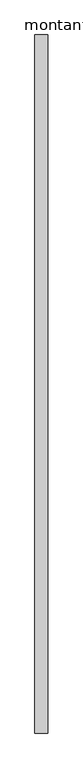
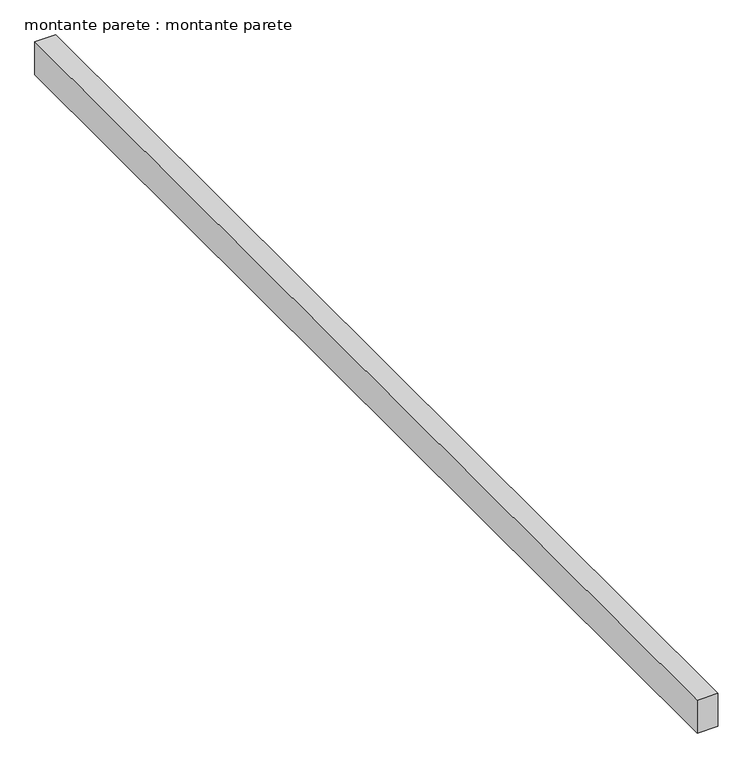
"""IFC4 building model written with IfcOpenShell, lengths in millimetres: proxy geometry, montante parete : montante parete."""

from ifc_helpers import new_model, si_unit, origin, origin_with_axes, place, context, project, spatial, polyline, outline, extrude, source, transform, mapped, element, save


def montante_parete_montante_parete_c66eabe1(model_context):
    return source(origin(), model_context, "Body", "SweptSolid", [
        extrude(outline(polyline([(30.0, 1136.5382366), (30.0, -2163.4617634), (-30.0, -2163.4617634), (-30.0, 1136.5382366), (30.0, 1136.5382366)])), origin_with_axes(), (0.0, 0.0, 1.0), 100.0),
    ])


if __name__ == "__main__":
    model = new_model("IFC4")
    model_context = context("Model", 3, world=origin())
    ifc_project = project(units=[si_unit("LENGTHUNIT", "METRE", prefix="MILLI")], contexts=[model_context])
    site = spatial("IfcSite", under=ifc_project)
    building = spatial("IfcBuilding", under=site)
    placement = place(None, origin())
    montante_parete_montante_parete_shape = montante_parete_montante_parete_c66eabe1(model_context)
    element("IfcBuildingElementProxy", 1, Name="montante parete : montante parete", ObjectType="montante parete : montante parete", at=placement, inside=building, context=model_context, shape_type="MappedRepresentation", body=[
        mapped(montante_parete_montante_parete_shape, transform((0.0, 0.0, 0.0), x_axis=(1.0, 0.0, 0.0), y_axis=(0.0, 1.0, 0.0), z_axis=(0.0, 0.0, 1.0))),
    ])
    save(model, "model.ifc")
